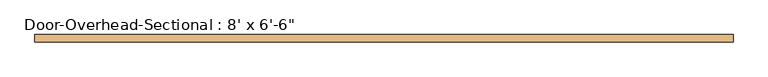
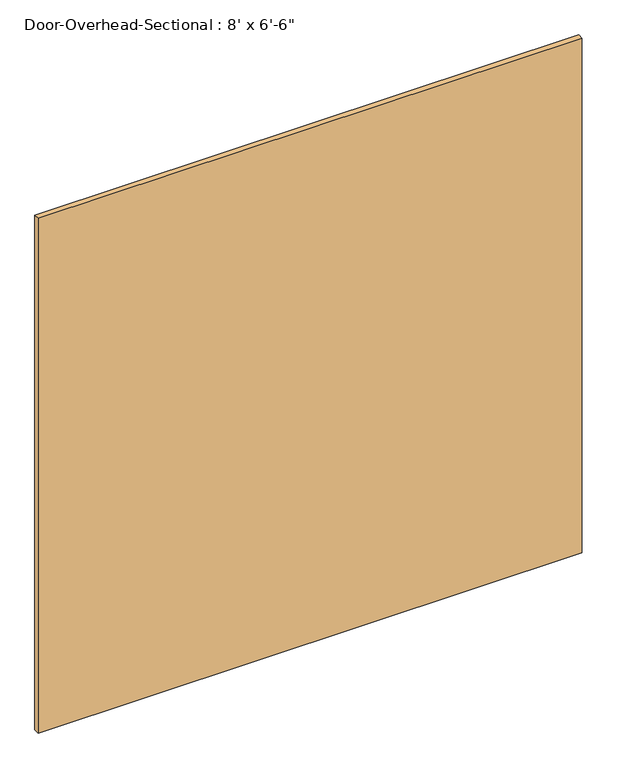
"""IFC4 building model written with IfcOpenShell, lengths in millimetres: door geometry."""

from ifc_helpers import new_model, si_unit, origin, origin_with_axes, place, context, project, spatial, polyline, outline, extrude, source, transform, mapped, element, save


def door_1eaeefc5(model_context):
    return source(origin(), model_context, "Body", "SweptSolid", [
        extrude(outline(polyline([(1828.8, 76.2), (-1828.8, 76.2), (-1828.8, 114.3), (1828.8, 114.3), (1828.8, 76.2)])), origin_with_axes(), (0.0, 0.0, 1.0), 3657.6),
    ])


if __name__ == "__main__":
    model = new_model("IFC4")
    model_context = context("Model", 3, world=origin())
    ifc_project = project(units=[si_unit("LENGTHUNIT", "METRE", prefix="MILLI")], contexts=[model_context])
    site = spatial("IfcSite", under=ifc_project)
    building = spatial("IfcBuilding", under=site)
    placement = place(None, origin())
    door_shape = door_1eaeefc5(model_context)
    element("IfcDoor", 1, ObjectType="Door-Overhead-Sectional : 8' x 6'-6\"", at=placement, inside=building, context=model_context, shape_type="MappedRepresentation", body=[
        mapped(door_shape, transform((0.0, 0.0, 0.0), x_axis=(1.0, 0.0, 0.0), y_axis=(0.0, 1.0, 0.0), z_axis=(0.0, 0.0, 1.0))),
    ])
    save(model, "model.ifc")
